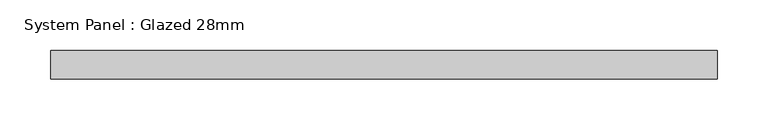
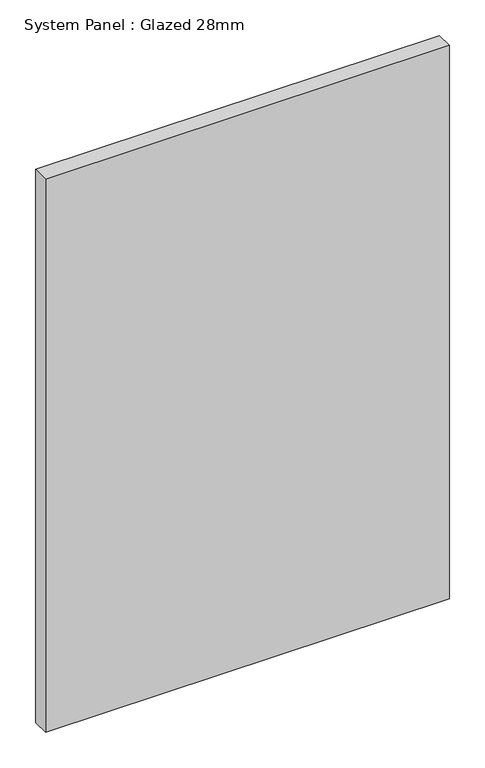
"""IFC4 building model written with IfcOpenShell, lengths in millimetres: plate geometry, System Panel : Glazed 28mm."""

from ifc_helpers import new_model, si_unit, origin, origin_with_axes, place, context, project, spatial, polyline, outline, extrude, source, transform, mapped, element, save


def system_panel_glazed_28mm_cd847070(model_context):
    return source(origin(), model_context, "Body", "SweptSolid", [
        extrude(outline(polyline([(327.8105764, -14.0), (-327.8105764, -14.0), (-327.8105764, 14.0), (327.8105764, 14.0), (327.8105764, -14.0)])), origin_with_axes(), (0.0, 0.0, 1.0), 948.618805),
    ])


if __name__ == "__main__":
    model = new_model("IFC4")
    model_context = context("Model", 3, world=origin())
    ifc_project = project(units=[si_unit("LENGTHUNIT", "METRE", prefix="MILLI")], contexts=[model_context])
    site = spatial("IfcSite", under=ifc_project)
    building = spatial("IfcBuilding", under=site)
    placement = place(None, origin())
    system_panel_glazed_28mm_shape = system_panel_glazed_28mm_cd847070(model_context)
    element("IfcPlate", 1, ObjectType="System Panel : Glazed 28mm", at=placement, inside=building, context=model_context, shape_type="MappedRepresentation", body=[
        mapped(system_panel_glazed_28mm_shape, transform((0.0, 0.0, 0.0), x_axis=(1.0, 0.0, 0.0), y_axis=(0.0, 1.0, 0.0), z_axis=(0.0, 0.0, 1.0))),
    ])
    save(model, "model.ifc")
